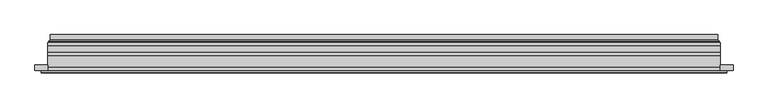
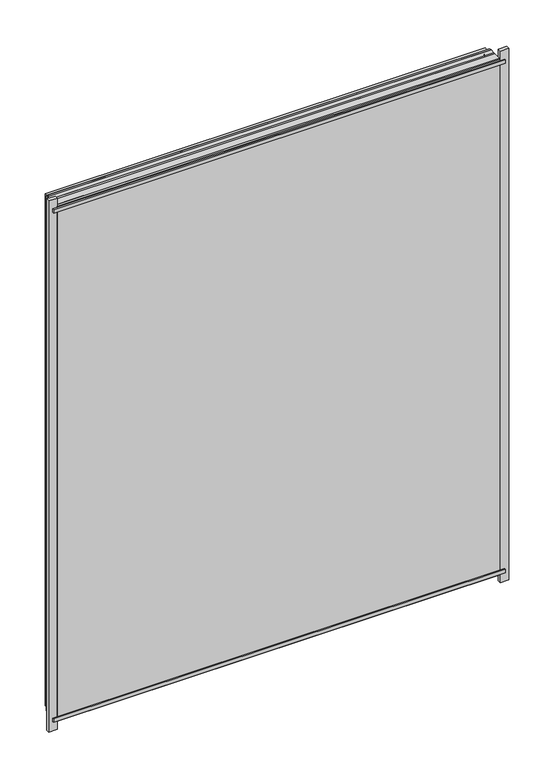
"""IFC4 building model written with IfcOpenShell, lengths in millimetres: plate geometry."""

from ifc_helpers import new_model, si_unit, frame, origin, place, context, project, spatial, polyline, ellipse_curve, outline, extrude, source, transform, mapped, element, save
from ifc_brep_helpers import plane_surface, cylinder_surface, revolved_surface, advanced_brep


def plate_90499a95(model_context):
    return source(origin(), model_context, "Body", "SolidModel", [
        extrude(outline(polyline([(28.0, -579.0), (28.0, 579.0), (1461.0000001, 579.0), (1461.0000001, -579.0), (28.0, -579.0)]), holes=[polyline([(33.0, 574.0), (33.0, -574.0), (1456.0000001, -574.0), (1456.0000001, 574.0), (33.0, 574.0)])]), frame((0.0, 0.0, 0.0), z_axis=(0.0, 1.0, 0.0), x_axis=(0.0, 0.0, 1.0)), (0.0, 0.0, 1.0), 12.0),
        extrude(outline(polyline([(6.0, -601.0), (6.0, 601.0), (1483.0000001, 601.0), (1483.0000001, -601.0), (6.0, -601.0)]), holes=[polyline([(28.0, 579.0), (28.0, -579.0), (1461.0000001, -579.0), (1461.0000001, 579.0), (28.0, 579.0)])]), frame((0.0, -26.0, 0.0), z_axis=(0.0, 1.0, 0.0), x_axis=(0.0, 0.0, 1.0)), (0.0, 0.0, 1.0), 20.0),
        extrude(outline(polyline([(6.0, -601.0), (6.0, 601.0), (1483.0000001, 601.0), (1483.0000001, -601.0), (6.0, -601.0)]), holes=[polyline([(28.0, 579.0), (28.0, -579.0), (1461.0000001, -579.0), (1461.0000001, 579.0), (28.0, 579.0)])]), frame((0.0, -26.0, 0.0), z_axis=(0.0, 1.0, 0.0), x_axis=(0.0, 0.0, 1.0)), (0.0, 0.0, 1.0), 20.0),
        extrude(outline(polyline([(601.0, -6.0), (-601.0, -6.0), (-601.0, 0.0), (601.0, 0.0), (601.0, -6.0)])), frame((0.0, 0.0, 6.0), z_axis=(0.0, 0.0, 1.0), x_axis=(1.0, 0.0, 0.0)), (0.0, 0.0, 1.0), 1477.0000001),
        extrude(outline(polyline([(612.5, -36.0), (-612.5, -36.0), (-612.5, -32.0), (612.5, -32.0), (612.5, -36.0)])), frame((0.0, 0.0, 1469.5000001), z_axis=(0.0, 0.0, 1.0), x_axis=(1.0, 0.0, 0.0)), (0.0, 0.0, 1.0), 10.0),
        extrude(outline(polyline([(612.5, -36.0), (-612.5, -36.0), (-612.5, -32.0), (612.5, -32.0), (612.5, -36.0)])), frame((0.0, 0.0, 9.5), z_axis=(0.0, 0.0, 1.0), x_axis=(1.0, 0.0, 0.0)), (0.0, 0.0, 1.0), 10.0),
        extrude(outline(polyline([(-624.0, -32.0), (-624.0, -22.51), (-601.0, -22.51), (-601.0, -32.0), (-624.0, -32.0)])), frame((0.0, 0.0, -17.0), z_axis=(0.0, 0.0, 1.0), x_axis=(1.0, 0.0, 0.0)), (0.0, 0.0, 1.0), 1523.0000001),
        extrude(outline(polyline([(624.0, -32.0), (601.0, -32.0), (601.0, -22.51), (624.0, -22.51), (624.0, -32.0)])), frame((0.0, 0.0, -17.0), z_axis=(0.0, 0.0, 1.0), x_axis=(1.0, 0.0, 0.0)), (0.0, 0.0, 1.0), 1523.0000001),
        extrude(outline(polyline([(6.0, -601.0), (6.0, 601.0), (1483.0000001, 601.0), (1483.0000001, -601.0), (6.0, -601.0)]), holes=[polyline([(28.0, 579.0), (28.0, -579.0), (1461.0000001, -579.0), (1461.0000001, 579.0), (28.0, 579.0)])]), frame((0.0, 0.0, 0.0), z_axis=(0.0, 1.0, 0.0), x_axis=(0.0, 0.0, 1.0)), (0.0, 0.0, 1.0), 12.0),
        extrude(outline(polyline([(28.0, -579.0), (28.0, 579.0), (1461.0000001, 579.0), (1461.0000001, -579.0), (28.0, -579.0)]), holes=[polyline([(33.0, 574.0), (33.0, -574.0), (1456.0000001, -574.0), (1456.0000001, 574.0), (33.0, 574.0)])]), frame((0.0, -26.0, 0.0), z_axis=(0.0, 1.0, 0.0), x_axis=(0.0, 0.0, 1.0)), (0.0, 0.0, 1.0), 20.0),
        extrude(outline(polyline([(601.0, 18.0), (601.0, 12.0), (-601.0, 12.0), (-601.0, 18.0), (601.0, 18.0)])), frame((0.0, 0.0, 6.0), z_axis=(0.0, 0.0, 1.0), x_axis=(1.0, 0.0, 0.0)), (0.0, 0.0, 1.0), 1477.0000001),
        extrude(outline(polyline([(-601.0, -32.0), (-601.0, -26.0), (601.0, -26.0), (601.0, -32.0), (-601.0, -32.0)])), frame((0.0, 0.0, 6.0), z_axis=(0.0, 0.0, 1.0), x_axis=(1.0, 0.0, 0.0)), (0.0, 0.0, 1.0), 1477.0000001),
        advanced_brep(
        [(587.5000103, 32.0, 19.4999897), (-587.5000103, 32.0, 19.4999897), (-587.5000103, 21.9110895, 19.4999897), (587.5000103, 21.9110895, 19.4999897), (596.4986526, 23.3044663, 10.5013474), (-596.4986526, 23.3044663, 10.5013474), (-596.4986526, 32.0, 10.5013474), (596.4986526, 32.0, 10.5013474), (598.1689727, 20.9442833, 8.8310273), (-598.1689727, 20.9442833, 8.8310273), (597.7544044, 18.0034569, 9.2455956), (-597.7544044, 18.0034569, 9.2455956), (586.5620948, 20.2163959, 20.4379052), (-586.5620948, 20.2163959, 20.4379052), (-587.1992268, 18.0000006, 19.8007732), (587.1992268, 18.0000006, 19.8007732), (-587.5000103, 32.0, 1469.5000104), (-587.5000103, 21.9110895, 1469.5000104), (-596.4986526, 23.3044663, 1478.4986527), (-596.4986526, 32.0, 1478.4986527), (-598.1689727, 20.9442833, 1480.1689729), (-597.7544044, 18.0034569, 1479.7544045), (-586.5620948, 20.2163959, 1468.5620949), (-587.1992268, 18.0000006, 1469.1992269), (587.5000103, 32.0, 1469.5000104), (587.5000103, 21.9110895, 1469.5000104), (596.4986526, 23.3044663, 1478.4986527), (596.4986526, 32.0, 1478.4986527), (598.1689727, 20.9442833, 1480.1689729), (597.7544044, 18.0034569, 1479.7544045), (586.5620948, 20.2163959, 1468.5620949), (587.1992268, 18.0000006, 1469.1992269)],
        [
            (0, 1),
            (1, 2),
            (2, 3),
            (3, 0),
            (4, 5),
            (5, 6),
            (6, 7),
            (7, 4),
            (8, 9),
            (9, 5, ellipse_curve(frame((-598.8086832, 23.1681522, 8.1913168), z_axis=(-0.7071067811865475, 0.0, 0.7071067811865475), x_axis=(-0.7071067811865476, 0.0, -0.7071067811865474)), 3.2725594, 2.314049)),
            (4, 8, ellipse_curve(frame((598.8086832, 23.1681522, 8.1913168), z_axis=(0.7071067811865475, 0.0, 0.7071067811865475), x_axis=(-0.7071067811865476, 0.0, 0.7071067811865474)), 3.2725594, 2.314049)),
            (10, 11),
            (11, 9, ellipse_curve(frame((-597.7544044, 19.5030909, 9.2455956), z_axis=(0.7071067811865475, 0.0, -0.7071067811865475), x_axis=(0.7071067811865476, 0.0, 0.7071067811865474)), 2.1208028, 1.4996341)),
            (8, 10, ellipse_curve(frame((597.7544044, 19.5030909, 9.2455956), z_axis=(-0.7071067811865475, 0.0, -0.7071067811865475), x_axis=(0.7071067811865476, 0.0, -0.7071067811865474)), 2.1208028, 1.4996341)),
            (12, 13),
            (13, 14, ellipse_curve(frame((-587.1992268, 19.1997743, 19.8007732), z_axis=(0.7071067811865475, 0.0, -0.7071067811865475), x_axis=(0.7071067811865476, 0.0, 0.7071067811865474)), 1.6967361, 1.1997736)),
            (14, 15),
            (15, 12, ellipse_curve(frame((587.1992268, 19.1997743, 19.8007732), z_axis=(-0.7071067811865475, 0.0, -0.7071067811865475), x_axis=(0.7071067811865476, 0.0, -0.7071067811865474)), 1.6967361, 1.1997736)),
            (2, 13, ellipse_curve(frame((-585.5000051, 21.9110895, 21.4999949), z_axis=(-0.7071067811865475, 0.0, 0.7071067811865475), x_axis=(-0.7071067811865476, 0.0, -0.7071067811865474)), 2.8284345, 2.0000052)),
            (12, 3, ellipse_curve(frame((585.5000051, 21.9110895, 21.4999949), z_axis=(0.7071067811865475, 0.0, 0.7071067811865475), x_axis=(-0.7071067811865476, 0.0, 0.7071067811865474)), 2.8284345, 2.0000052)),
            (1, 16),
            (16, 17),
            (17, 2),
            (5, 18),
            (18, 19),
            (19, 6),
            (9, 20),
            (20, 18, ellipse_curve(frame((-598.8086832, 23.1681522, 1480.8086833), z_axis=(0.7071067811865475, 0.0, 0.7071067811865475), x_axis=(-0.7071067811865474, 0.0, 0.7071067811865476)), 3.2725594, 2.314049)),
            (11, 21),
            (21, 20, ellipse_curve(frame((-597.7544044, 19.5030909, 1479.7544045), z_axis=(-0.7071067811865475, 0.0, -0.7071067811865475), x_axis=(0.7071067811865474, 0.0, -0.7071067811865476)), 2.1208028, 1.4996341)),
            (13, 22),
            (22, 23, ellipse_curve(frame((-587.1992268, 19.1997743, 1469.1992269), z_axis=(-0.7071067811865475, 0.0, -0.7071067811865475), x_axis=(0.7071067811865474, 0.0, -0.7071067811865476)), 1.6967361, 1.1997736)),
            (23, 14),
            (17, 22, ellipse_curve(frame((-585.5000051, 21.9110895, 1467.5000052), z_axis=(0.7071067811865475, 0.0, 0.7071067811865475), x_axis=(-0.7071067811865474, 0.0, 0.7071067811865476)), 2.8284345, 2.0000052)),
            (16, 24),
            (24, 25),
            (25, 17),
            (18, 26),
            (26, 27),
            (27, 19),
            (20, 28),
            (28, 26, ellipse_curve(frame((598.8086832, 23.1681522, 1480.8086833), z_axis=(0.7071067811865475, 0.0, -0.7071067811865475), x_axis=(0.7071067811865476, 0.0, 0.7071067811865474)), 3.2725594, 2.314049)),
            (21, 29),
            (29, 28, ellipse_curve(frame((597.7544044, 19.5030909, 1479.7544045), z_axis=(-0.7071067811865475, 0.0, 0.7071067811865475), x_axis=(-0.7071067811865476, 0.0, -0.7071067811865474)), 2.1208028, 1.4996341)),
            (22, 30),
            (30, 31, ellipse_curve(frame((587.1992268, 19.1997743, 1469.1992269), z_axis=(-0.7071067811865475, 0.0, 0.7071067811865475), x_axis=(-0.7071067811865476, 0.0, -0.7071067811865474)), 1.6967361, 1.1997736)),
            (31, 23),
            (25, 30, ellipse_curve(frame((585.5000051, 21.9110895, 1467.5000052), z_axis=(0.7071067811865475, 0.0, -0.7071067811865475), x_axis=(0.7071067811865476, 0.0, 0.7071067811865474)), 2.8284345, 2.0000052)),
            (24, 0),
            (3, 25),
            (26, 4),
            (7, 27),
            (28, 8),
            (29, 10),
            (31, 15),
            (30, 12),
        ],
        [
            plane_surface(frame((587.5000103, 21.9110895, 19.4999897), z_axis=(0.0, 0.0, 1.0), x_axis=(-1.0, 0.0, 0.0))),
            plane_surface(frame((596.4986526, 32.0, 10.5013474), z_axis=(0.0, 0.0, -1.0), x_axis=(-1.0, 0.0, 0.0))),
            revolved_surface(polyline([(-601.1227321435756, 25.482201200000002, 8.1913168), (601.1227321435758, 25.482201200000002, 8.1913168)]), (587.5, 23.1681522, 8.1913168), (-1.0, 0.0, 0.0)),
            cylinder_surface(frame((587.5, 19.5030909, 9.2455956), z_axis=(1.0, 0.0, 0.0), x_axis=(0.0, 1.0, 0.0)), 1.4996341),
            cylinder_surface(frame((587.5, 19.1997743, 19.8007732), z_axis=(1.0, 0.0, 0.0), x_axis=(0.0, 1.0, 0.0)), 1.1997736),
            revolved_surface(polyline([(-587.5000103150919, 23.9110947, 21.4999949), (587.5000103150919, 23.9110947, 21.4999949)]), (587.5, 21.9110895, 21.4999949), (-1.0, 0.0, 0.0)),
            plane_surface(frame((-587.5000103, 21.9110895, 19.4999897), z_axis=(1.0, 0.0, 0.0), x_axis=(0.0, 0.0, 1.0))),
            plane_surface(frame((-596.4986526, 32.0, 10.5013474), z_axis=(-1.0, 0.0, 0.0), x_axis=(0.0, 0.0, 1.0))),
            revolved_surface(polyline([(-598.8086832, 25.482201200000002, 1483.1227322435757), (-598.8086832, 25.482201200000002, 5.87726785642422)]), (-598.8086832, 23.1681522, 19.5), (0.0, 0.0, 1.0)),
            cylinder_surface(frame((-597.7544044, 19.5030909, 19.5), z_axis=(0.0, 0.0, -1.0), x_axis=(0.0, 1.0, 0.0)), 1.4996341),
            cylinder_surface(frame((-587.1992268, 19.1997743, 19.5), z_axis=(0.0, 0.0, -1.0), x_axis=(0.0, 1.0, 0.0)), 1.1997736),
            revolved_surface(polyline([(-585.5000051, 23.9110947, 1469.500010415092), (-585.5000051, 23.9110947, 19.49998968490802)]), (-585.5000051, 21.9110895, 19.5), (0.0, 0.0, 1.0)),
            plane_surface(frame((-587.5000103, 21.9110895, 1469.5000104), z_axis=(0.0, 0.0, -1.0), x_axis=(1.0, 0.0, 0.0))),
            plane_surface(frame((-596.4986526, 32.0, 1478.4986527), z_axis=(0.0, 0.0, 1.0), x_axis=(1.0, 0.0, 0.0))),
            revolved_surface(polyline([(601.1227321435756, 25.482201200000002, 1480.8086833), (-601.1227321435758, 25.482201200000002, 1480.8086833)]), (-587.5, 23.1681522, 1480.8086833), (1.0, 0.0, 0.0)),
            cylinder_surface(frame((-587.5, 19.5030909, 1479.7544045), z_axis=(-1.0, 0.0, 0.0), x_axis=(0.0, 1.0, 0.0)), 1.4996341),
            cylinder_surface(frame((-587.5, 19.1997743, 1469.1992269), z_axis=(-1.0, 0.0, 0.0), x_axis=(0.0, 1.0, 0.0)), 1.1997736),
            revolved_surface(polyline([(587.5000103150919, 23.9110947, 1467.5000052), (-587.5000103150919, 23.9110947, 1467.5000052)]), (-587.5, 21.9110895, 1467.5000052), (1.0, 0.0, 0.0)),
            plane_surface(frame((587.5000103, 21.9110895, 1469.5000104), z_axis=(-1.0, 0.0, 0.0), x_axis=(0.0, 0.0, -1.0))),
            plane_surface(frame((596.4986526, 32.0, 1478.4986527), z_axis=(1.0, 0.0, 0.0), x_axis=(0.0, 0.0, -1.0))),
            revolved_surface(polyline([(598.8086832, 25.482201200000002, 5.877267856424396), (598.8086832, 25.482201200000002, 1483.1227322435757)]), (598.8086832, 23.1681522, 1469.5000001), (0.0, 0.0, -1.0)),
            cylinder_surface(frame((597.7544044, 19.5030909, 1469.5000001), z_axis=(0.0, 0.0, 1.0), x_axis=(0.0, 1.0, 0.0)), 1.4996341),
            plane_surface(frame((597.7544044, 18.0000006, 1479.7544045), z_axis=(0.0, -1.0, 0.0), x_axis=(0.0, 0.0, -1.0))),
            cylinder_surface(frame((587.1992268, 19.1997743, 1469.5000001), z_axis=(0.0, 0.0, 1.0), x_axis=(0.0, 1.0, 0.0)), 1.1997736),
            revolved_surface(polyline([(585.5000051, 23.9110947, 19.499989684908087), (585.5000051, 23.9110947, 1469.500010415092)]), (585.5000051, 21.9110895, 1469.5000001), (0.0, 0.0, -1.0)),
            plane_surface(frame((587.5000103, 32.0, 1469.5000104), z_axis=(0.0, 1.0, 0.0), x_axis=(0.0, 0.0, -1.0))),
        ],
        [
            (0, [[1, 2, 3, 4]]),
            (1, [[5, 6, 7, 8]]),
            (2, [[9, 10, -5, 11]]),
            (3, [[12, 13, -9, 14]]),
            (4, [[15, 16, 17, 18]]),
            (5, [[-3, 19, -15, 20]]),
            (6, [[21, 22, 23, -2]]),
            (7, [[24, 25, 26, -6]]),
            (8, [[27, 28, -24, -10]]),
            (9, [[29, 30, -27, -13]]),
            (10, [[31, 32, 33, -16]]),
            (11, [[-23, 34, -31, -19]]),
            (12, [[35, 36, 37, -22]]),
            (13, [[38, 39, 40, -25]]),
            (14, [[41, 42, -38, -28]]),
            (15, [[43, 44, -41, -30]]),
            (16, [[45, 46, 47, -32]]),
            (17, [[-37, 48, -45, -34]]),
            (18, [[49, -4, 50, -36]]),
            (19, [[51, -8, 52, -39]]),
            (20, [[53, -11, -51, -42]]),
            (21, [[54, -14, -53, -44]]),
            (22, [[-12, -54, -43, -29], [-17, -33, -47, 55]]),
            (23, [[56, -18, -55, -46]]),
            (24, [[-50, -20, -56, -48]]),
            (25, [[-7, -26, -40, -52], [-1, -49, -35, -21]]),
        ],
    ),
    ])


if __name__ == "__main__":
    model = new_model("IFC4")
    model_context = context("Model", 3, world=origin())
    ifc_project = project(units=[si_unit("LENGTHUNIT", "METRE", prefix="MILLI")], contexts=[model_context])
    site = spatial("IfcSite", under=ifc_project)
    building = spatial("IfcBuilding", under=site)
    placement = place(None, origin())
    plate_shape = plate_90499a95(model_context)
    element("IfcPlate", 1, at=placement, inside=building, context=model_context, shape_type="MappedRepresentation", body=[
        mapped(plate_shape, transform((0.0, 0.0, 0.0), x_axis=(1.0, 0.0, 0.0), y_axis=(0.0, 1.0, 0.0), z_axis=(0.0, 0.0, 1.0))),
    ])
    save(model, "model.ifc")
